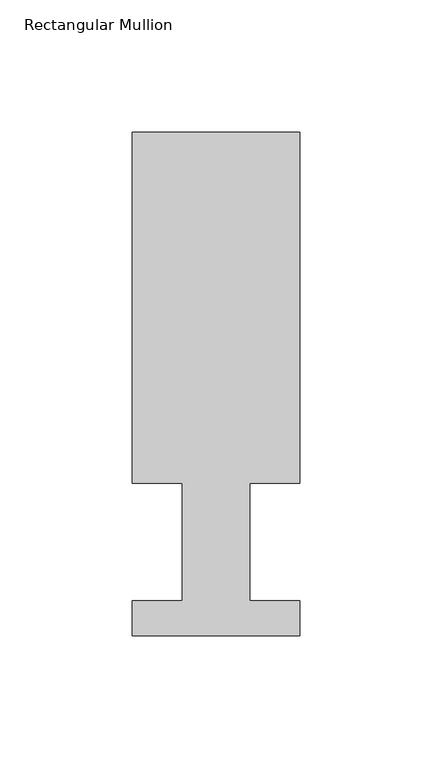
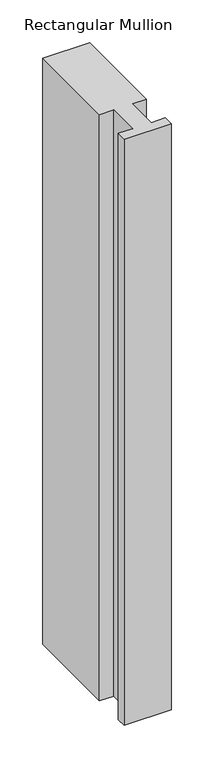
"""IFC4 building model written with IfcOpenShell, lengths in millimetres: member geometry, Rectangular Mullion."""

from ifc_helpers import new_model, si_unit, frame, origin, place, context, project, spatial, polyline, outline, extrude, source, transform, mapped, element, save


def rectangular_mullion_066203c6(model_context):
    return source(origin(), model_context, "Body", "SweptSolid", [
        extrude(outline(polyline([(-31.75, 190.5896938), (31.75, 190.5896938), (31.75, 57.6460937), (12.7, 57.6460937), (12.7, 13.1960938), (31.75, 13.1960938), (31.75, 0.0134938), (-31.75, 0.0134938), (-31.75, 13.1960938), (-12.7, 13.1960938), (-12.7, 57.6460937), (-31.75, 57.6460937), (-31.75, 190.5896938)])), frame((0.0, 0.0, -838.2), z_axis=(0.0, 0.0, 1.0), x_axis=(1.0, 0.0, 0.0)), (0.0, 0.0, 1.0), 838.2),
    ])


if __name__ == "__main__":
    model = new_model("IFC4")
    model_context = context("Model", 3, world=origin())
    ifc_project = project(units=[si_unit("LENGTHUNIT", "METRE", prefix="MILLI")], contexts=[model_context])
    site = spatial("IfcSite", under=ifc_project)
    building = spatial("IfcBuilding", under=site)
    placement = place(None, origin())
    rectangular_mullion_shape = rectangular_mullion_066203c6(model_context)
    element("IfcMember", 1, ObjectType="Rectangular Mullion", at=placement, inside=building, context=model_context, shape_type="MappedRepresentation", body=[
        mapped(rectangular_mullion_shape, transform((0.0, 0.0, 0.0), x_axis=(1.0, 0.0, 0.0), y_axis=(0.0, 1.0, 0.0), z_axis=(0.0, 0.0, 1.0))),
    ])
    save(model, "model.ifc")
